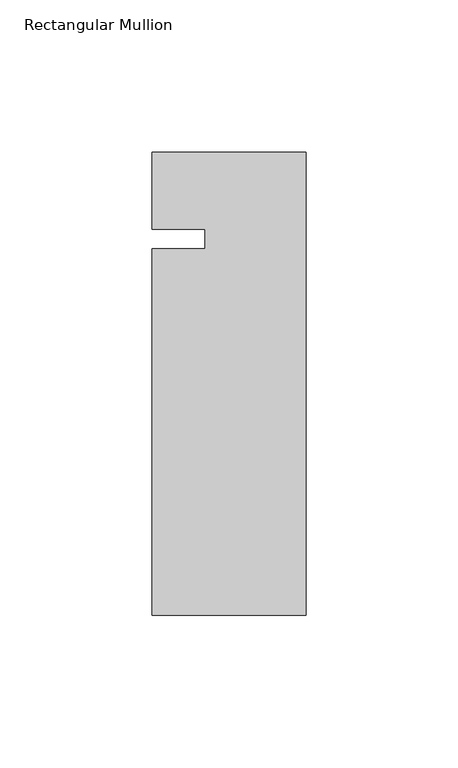
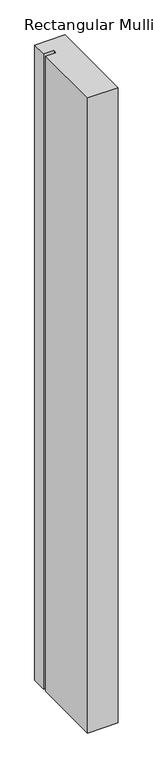
"""IFC4 building model written with IfcOpenShell, lengths in millimetres: member geometry, Rectangular Mullion."""

from ifc_helpers import new_model, si_unit, frame, origin, place, context, project, spatial, polyline, outline, extrude, source, transform, mapped, element, save


def rectangular_mullion_ae2dddef(model_context):
    return source(origin(), model_context, "Body", "SweptSolid", [
        extrude(outline(polyline([(-50.8, -152.4), (-50.8, -31.75), (-33.3502, -31.75), (-33.3502, -25.4), (-50.8, -25.4), (-50.8, 0.0), (0.0, 0.0), (0.0, -152.4), (-50.8, -152.4)])), frame((0.0, 0.0, -1115.6893215), z_axis=(0.0, 0.0, 1.0), x_axis=(1.0, 0.0, 0.0)), (0.0, 0.0, 1.0), 1115.6893215),
    ])


if __name__ == "__main__":
    model = new_model("IFC4")
    model_context = context("Model", 3, world=origin())
    ifc_project = project(units=[si_unit("LENGTHUNIT", "METRE", prefix="MILLI")], contexts=[model_context])
    site = spatial("IfcSite", under=ifc_project)
    building = spatial("IfcBuilding", under=site)
    placement = place(None, origin())
    rectangular_mullion_shape = rectangular_mullion_ae2dddef(model_context)
    element("IfcMember", 1, ObjectType="Rectangular Mullion", at=placement, inside=building, context=model_context, shape_type="MappedRepresentation", body=[
        mapped(rectangular_mullion_shape, transform((0.0, 0.0, 0.0), x_axis=(1.0, 0.0, 0.0), y_axis=(0.0, 1.0, 0.0), z_axis=(0.0, 0.0, 1.0))),
    ])
    save(model, "model.ifc")
